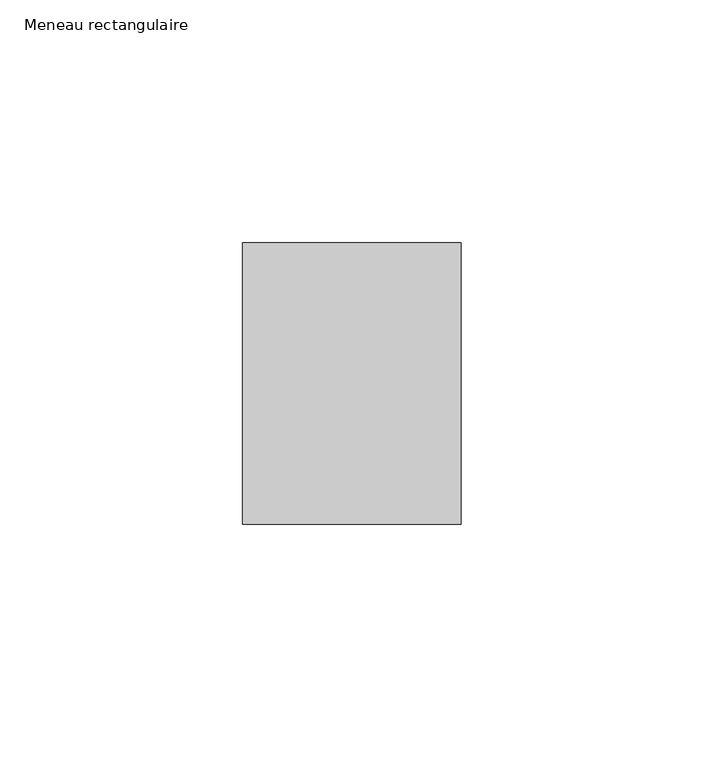
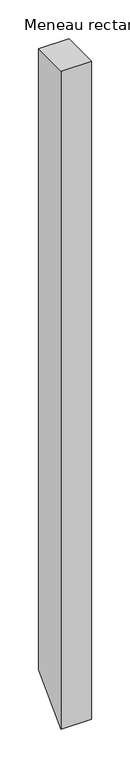
"""IFC4 building model written with IfcOpenShell, lengths in millimetres: member geometry, Meneau rectangulaire."""

from ifc_helpers import new_model, si_unit, frame, origin, place, context, project, spatial, polyline, outline, extrude, source, transform, mapped, element, save


def meneau_rectangulaire_fbfe9a38(model_context):
    return source(origin(), model_context, "Body", "SweptSolid", [
        extrude(outline(polyline([(-29.0, 0.0), (29.0, 0.0), (29.0, -976.0040494), (-29.0, -1034.0040494), (-29.0, 0.0)])), frame((-45.0, 0.0, 0.0), z_axis=(1.0, 0.0, 0.0), x_axis=(0.0, 1.0, 0.0)), (0.0, 0.0, 1.0), 45.0),
    ])


if __name__ == "__main__":
    model = new_model("IFC4")
    model_context = context("Model", 3, world=origin())
    ifc_project = project(units=[si_unit("LENGTHUNIT", "METRE", prefix="MILLI")], contexts=[model_context])
    site = spatial("IfcSite", under=ifc_project)
    building = spatial("IfcBuilding", under=site)
    placement = place(None, origin())
    meneau_rectangulaire_shape = meneau_rectangulaire_fbfe9a38(model_context)
    element("IfcMember", 1, ObjectType="Meneau rectangulaire", at=placement, inside=building, context=model_context, shape_type="MappedRepresentation", body=[
        mapped(meneau_rectangulaire_shape, transform((0.0, 0.0, 0.0), x_axis=(1.0, 0.0, 0.0), y_axis=(0.0, 1.0, 0.0), z_axis=(0.0, 0.0, 1.0))),
    ])
    save(model, "model.ifc")
